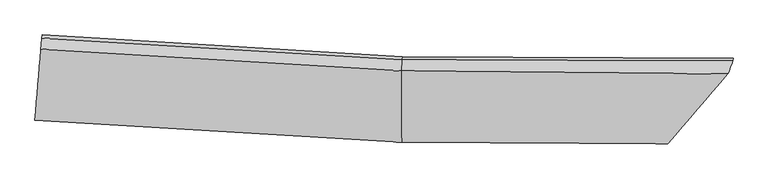
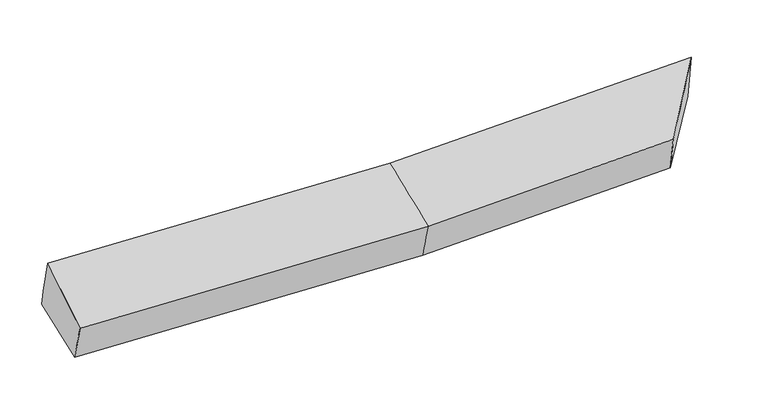
"""IFC4 building model written with IfcOpenShell, lengths in millimetres: proxy geometry."""

from ifc_helpers import new_model, si_unit, frame, origin, place, context, project, spatial, source, transform, mapped, element, save
from ifc_brep_helpers import plane_surface, spline_surface, advanced_brep


def generic_models_e453b250(model_context):
    return source(origin(), model_context, "Body", "AdvancedBrep", [
        advanced_brep(
        [(-3230.3588837, -1915.5953773, 2059.8115433), (-3219.0112963, -1805.5658485, 1679.5099907), (197.7117811, -2010.7895697, 1703.8382097), (189.4118861, -2120.9531951, 2084.1796658), (-3161.4988088, -1120.5912358, 1811.8054692), (197.1343394, -1323.2590357, 1835.3731153), (-3164.8785831, -1150.6523973, 1968.9197706), (193.7545651, -1353.3201972, 1992.4874167), (-3175.5565679, -1253.5314348, 2337.4228582), (185.7241004, -1456.3157241, 2361.0251684), (3279.7552949, -1363.3397446, 2059.3328476), (3234.2445729, -1484.5168117, 2450.6247499), (2673.7095969, -2136.0235046, 2156.9424761), (2703.1442205, -2037.1194828, 1779.0417534), (3282.6379153, -1337.7004829, 1925.3295528)],
        [
            (0, 1),
            (1, 2),
            (2, 3),
            (3, 0),
            (1, 4),
            (4, 5),
            (5, 1),
            (4, 6),
            (6, 7),
            (7, 5),
            (6, 8),
            (8, 9),
            (9, 7),
            (8, 0),
            (3, 9),
            (10, 11),
            (11, 12),
            (12, 13),
            (13, 14),
            (14, 10),
            (5, 2),
            (9, 11),
            (10, 7),
            (3, 12),
            (2, 13),
            (5, 14),
        ],
        [
            spline_surface(1, 1, [[(-3230.3588837, -1915.5953773, 2059.8115433), (189.4118861, -2120.9531951, 2084.1796658)], [(-3219.0112963, -1805.5658485, 1679.5099907), (197.7117811, -2010.7895697, 1703.8382097)]], [2, 2], [2, 2], [0.0, 1.0], [0.0, 1.0]),
            plane_surface(frame((-3190.2550526, -1463.0785421, 1745.6577299), z_axis=(0.018242537294668935, 0.18812629092246988, -0.9819754113504101), x_axis=(0.08216069643072661, 0.9785351610956453, 0.1889935407931651))),
            plane_surface(frame((-3163.188696, -1135.6218165, 1890.3626199), z_axis=(0.05782928979788491, 0.980309491821856, 0.1888096223327798), x_axis=(-0.021123589400241984, -0.18788225939586736, 0.9819643835573437))),
            spline_surface(1, 1, [[(-3164.8785831, -1150.6523973, 1968.9197706), (193.7545651, -1353.3201972, 1992.4874167)], [(-3175.5565679, -1253.5314348, 2337.4228582), (185.7241004, -1456.3157241, 2361.0251684)]], [2, 2], [2, 2], [0.0, 1.0], [0.0, 1.0]),
            spline_surface(1, 1, [[(-3175.5565679, -1253.5314348, 2337.4228582), (185.7241004, -1456.3157241, 2361.0251684)], [(-3230.3588837, -1915.5953773, 2059.8115433), (189.4118861, -2120.9531951, 2084.1796658)]], [2, 2], [2, 2], [0.0, 1.0], [0.0, 1.0]),
            plane_surface(frame((3034.6983201, -1671.7400053, 2074.254276), z_axis=(0.7764015536500593, -0.6218829263147385, -0.10228515751560456), x_axis=(-0.1104237427802309, -0.29401478845095746, 0.9494008116715217))),
            plane_surface(frame((-3190.260828, -1449.1872587, 1971.4939264), z_axis=(-0.9963952097099251, 0.08467109957816206, -0.0052336376774969676), x_axis=(0.07611432753202016, 0.9195332535081285, 0.3855712707621047))),
            plane_surface(frame((-3219.0112963, -1805.5658485, 1679.5099907), z_axis=(0.0182778584745488, 0.18789049040989422, -0.9820198997490395), x_axis=(-0.000824916682293057, 0.9821864771312273, 0.18790700799335902))),
            spline_surface(1, 1, [[(193.7545651, -1353.3201972, 1992.4874167), (3279.7552949, -1363.3397446, 2059.3328476)], [(185.7241004, -1456.3157241, 2361.0251684), (3234.2445729, -1484.5168117, 2450.6247499)]], [2, 2], [2, 2], [0.0, 1.0], [0.0, 1.0]),
            spline_surface(1, 1, [[(185.7241004, -1456.3157241, 2361.0251684), (3234.2445729, -1484.5168117, 2450.6247499)], [(189.4118861, -2120.9531951, 2084.1796658), (2673.7095969, -2136.0235046, 2156.9424761)]], [2, 2], [2, 2], [0.0, 1.0], [0.0, 1.0]),
            spline_surface(1, 1, [[(189.4118861, -2120.9531951, 2084.1796658), (2673.7095969, -2136.0235046, 2156.9424761)], [(197.7117811, -2010.7895697, 1703.8382097), (2703.1442205, -2037.1194828, 1779.0417534)]], [2, 2], [2, 2], [0.0, 1.0], [0.0, 1.0]),
            spline_surface(1, 1, [[(197.7117811, -2010.7895697, 1703.8382097), (2703.1442205, -2037.1194828, 1779.0417534)], [(197.1343394, -1323.2590357, 1835.3731153), (3282.6379153, -1337.7004829, 1925.3295528)]], [2, 2], [2, 2], [0.0, 1.0], [0.0, 1.0]),
            plane_surface(frame((195.4444522, -1338.2896165, 1913.930266), z_axis=(-0.0008812637160924117, 0.9821866536244426, 0.1879058296495404), x_axis=(-0.021123589400078892, -0.18788225939597372, 0.9819643835573268))),
        ],
        [
            (0, [[1, 2, 3, 4]]),
            (1, [[5, 6, 7]]),
            (2, [[8, 9, 10, -6]]),
            (3, [[11, 12, 13, -9]]),
            (4, [[14, -4, 15, -12]]),
            (5, [[16, 17, 18, 19, 20]]),
            (6, [[-14, -11, -8, -5, -1]]),
            (7, [[21, -2, -7]]),
            (8, [[-13, 22, -16, 23]]),
            (9, [[-15, 24, -17, -22]]),
            (10, [[-3, 25, -18, -24]]),
            (11, [[-21, 26, -19, -25]]),
            (12, [[-10, -23, -20, -26]]),
        ],
    ),
    ])


if __name__ == "__main__":
    model = new_model("IFC4")
    model_context = context("Model", 3, world=origin())
    ifc_project = project(units=[si_unit("LENGTHUNIT", "METRE", prefix="MILLI")], contexts=[model_context])
    site = spatial("IfcSite", under=ifc_project)
    building = spatial("IfcBuilding", under=site)
    placement = place(None, origin())
    generic_models_shape = generic_models_e453b250(model_context)
    element("IfcBuildingElementProxy", 1, Name="Generic Models", at=placement, inside=building, context=model_context, shape_type="MappedRepresentation", body=[
        mapped(generic_models_shape, transform((0.0, 0.0, 0.0), x_axis=(1.0, 0.0, 0.0), y_axis=(0.0, 1.0, 0.0), z_axis=(0.0, 0.0, 1.0))),
    ])
    save(model, "model.ifc")
